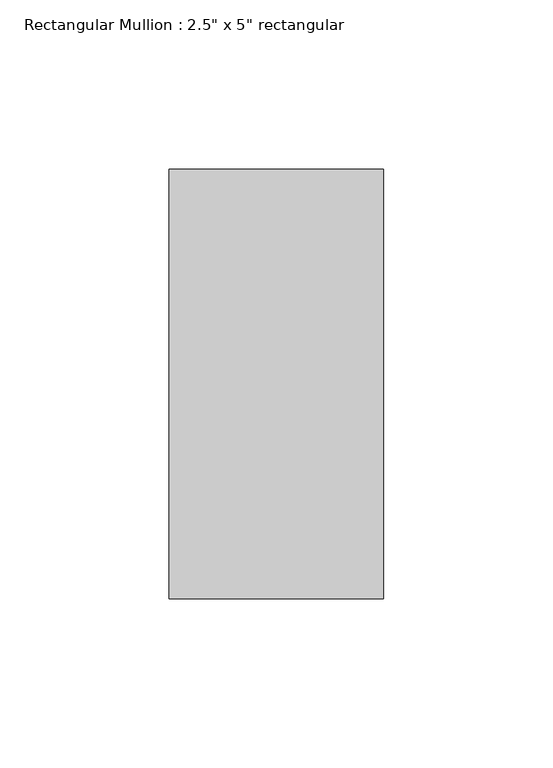
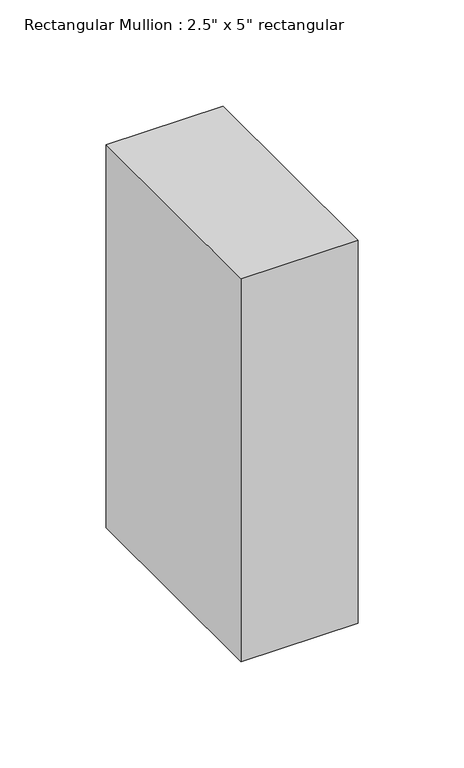
"""IFC4 building model written with IfcOpenShell, lengths in millimetres: member geometry."""

import ifcopenshell
import ifcopenshell.guid

model = None  # the IFC model being written
_history = None  # IfcOwnerHistory: only IFC2X3 demands one
_inside = {}  # id of a spatial element -> (the spatial element, [elements in it])
_under = {}  # id of a project, library or spatial element -> (it, [spatial elements below it])
_declared = {}  # id of a project -> (the project, [libraries it declares])
_typed = {}  # id of a type object -> (the type object, [elements of that type])
_made_of = {}  # id of a material, layer set ... -> (it, [elements and type objects made of it])


def new_model(schema):
    """Start an empty IFC model of exactly this schema.

    Asked for "IFC4X3", IfcOpenShell would pick the latest addendum, in which some entities
    have other attributes; the version numbers below select the first issue.
    IFC2X3 requires an IfcOwnerHistory on every rooted entity: one is made here for all.
    """
    global model, _history
    if schema == "IFC4X3":
        model = ifcopenshell.file(schema_version=(4, 3, 0, 0))
    else:
        model = ifcopenshell.file(schema=schema)
    _inside.clear()
    _under.clear()
    _declared.clear()
    _typed.clear()
    _made_of.clear()
    _history = None
    if model.schema == "IFC2X3":
        org = make("IfcOrganization", Name="unknown")
        user = make(
            "IfcPersonAndOrganization",
            ThePerson=make("IfcPerson", FamilyName="unknown"),
            TheOrganization=org,
        )
        app = make(
            "IfcApplication",
            ApplicationDeveloper=org,
            Version="unknown",
            ApplicationFullName="unknown",
            ApplicationIdentifier="unknown",
        )
        _history = make(
            "IfcOwnerHistory",
            OwningUser=user,
            OwningApplication=app,
            ChangeAction="ADDED",
            CreationDate=0,
        )
    return model


def make(cls, **values):
    """One entity of the class cls with the attributes given. An attribute that is None is left unset."""
    return model.create_entity(
        cls, **{name: value for name, value in values.items() if value is not None}
    )


def rooted(cls, **values):
    """An entity with a GlobalId (a new one), such as an element, a storey or a relation."""
    return make(cls, GlobalId=ifcopenshell.guid.new(), OwnerHistory=_history, **values)


def si_unit(unit_type, name, prefix=None):
    """IfcSIUnit, for example si_unit("LENGTHUNIT", "METRE", prefix="MILLI")."""
    return make("IfcSIUnit", UnitType=unit_type, Prefix=prefix, Name=name)


def assignment(units):
    """IfcUnitAssignment: the units of a project."""
    return None if units is None else make("IfcUnitAssignment", Units=units)


def point(xyz):
    """IfcCartesianPoint."""
    return None if xyz is None else make("IfcCartesianPoint", Coordinates=xyz)


def direction(xyz):
    """IfcDirection."""
    return None if xyz is None else make("IfcDirection", DirectionRatios=xyz)


def frame(location, z_axis=None, x_axis=None):
    """IfcAxis2Placement3D, a coordinate frame: its origin and axes. An axis left out is left unset."""
    return make(
        "IfcAxis2Placement3D",
        Location=point(location),
        Axis=direction(z_axis),
        RefDirection=direction(x_axis),
    )


def origin():
    """The frame at (0, 0, 0) with its axes left unset."""
    return frame((0.0, 0.0, 0.0))


def place(relative_to, where):
    """IfcLocalPlacement: puts the frame where relative to a parent placement (None: the world)."""
    return make(
        "IfcLocalPlacement", PlacementRelTo=relative_to, RelativePlacement=where
    )


def context(
    kind, dimensions, precision=None, world=None, true_north=None, identifier=None
):
    """IfcGeometricRepresentationContext, for example the 3D "Model" context."""
    return make(
        "IfcGeometricRepresentationContext",
        ContextIdentifier=identifier,
        ContextType=kind,
        CoordinateSpaceDimension=dimensions,
        Precision=precision,
        WorldCoordinateSystem=world,
        TrueNorth=true_north,
    )


def project(units=None, contexts=None):
    """IfcProject with its units and contexts."""
    return rooted(
        "IfcProject",
        Name="project",
        RepresentationContexts=contexts,
        UnitsInContext=assignment(units),
    )


def spatial(cls, under=None, at=None, **own):
    """A site, building, storey or space (cls), placed at a placement, below another one or the project."""
    s = rooted(cls, ObjectPlacement=at, **own)
    if under is not None:
        _under.setdefault(under.id(), (under, []))[1].append(s)
    return s


def polyline(points):
    """IfcPolyline through the points."""
    return make("IfcPolyline", Points=[point(p) for p in points])


def outline(outer, holes=None, kind="AREA"):
    """IfcArbitraryClosedProfileDef: a profile drawn as a closed curve; with holes, ...WithVoids."""
    if holes is None:
        return make("IfcArbitraryClosedProfileDef", ProfileType=kind, OuterCurve=outer)
    return make(
        "IfcArbitraryProfileDefWithVoids",
        ProfileType=kind,
        OuterCurve=outer,
        InnerCurves=holes,
    )


def extrude(swept, where, along, depth):
    """IfcExtrudedAreaSolid: the profile swept, set in the frame where, extruded along a direction by depth."""
    return make(
        "IfcExtrudedAreaSolid",
        SweptArea=swept,
        Position=where,
        ExtrudedDirection=direction(along),
        Depth=depth,
    )


def shape(context_of_items, identifier, shape_type, items):
    """IfcShapeRepresentation: the items that make up one representation, for example the "Body"."""
    return make(
        "IfcShapeRepresentation",
        ContextOfItems=context_of_items,
        RepresentationIdentifier=identifier,
        RepresentationType=shape_type,
        Items=items,
    )


def source(mapping_origin, context_of_items, identifier, shape_type, items):
    """IfcRepresentationMap: a shape defined once, which mapped items show again and again."""
    return make(
        "IfcRepresentationMap",
        MappingOrigin=mapping_origin,
        MappedRepresentation=shape(context_of_items, identifier, shape_type, items),
    )


def transform(
    local_origin,
    x_axis=None,
    y_axis=None,
    z_axis=None,
    scale=None,
    scale2=None,
    scale3=None,
    uniform=True,
):
    """IfcCartesianTransformationOperator3D, or its non-uniform kind. x_axis, y_axis, z_axis: its Axis1, 2, 3."""
    if uniform:
        return make(
            "IfcCartesianTransformationOperator3D",
            Axis1=direction(x_axis),
            Axis2=direction(y_axis),
            LocalOrigin=point(local_origin),
            Scale=scale,
            Axis3=direction(z_axis),
        )
    return make(
        "IfcCartesianTransformationOperator3DnonUniform",
        Axis1=direction(x_axis),
        Axis2=direction(y_axis),
        LocalOrigin=point(local_origin),
        Scale=scale,
        Axis3=direction(z_axis),
        Scale2=scale2,
        Scale3=scale3,
    )


def mapped(mapping_source, mapping_target):
    """IfcMappedItem: shows the shape of a source again, moved by a transform."""
    return make(
        "IfcMappedItem", MappingSource=mapping_source, MappingTarget=mapping_target
    )


def made_of(thing, what):
    """Note that an element or type object is made of a material, layer set ...; save() writes the relation."""
    if what is not None:
        _made_of.setdefault(what.id(), (what, []))[1].append(thing)
    return thing


def element(
    cls,
    number,
    at=None,
    inside=None,
    cuts=None,
    type_object=None,
    material=None,
    context=None,
    identifier="Body",
    shape_type=None,
    held_by="IfcProductDefinitionShape",
    body=None,
    shapes=None,
    **own,
):
    """One element of the class cls, such as IfcWall. Its Tag is "e" and its number.

    at: its placement. inside: the storey or other place that contains it. cuts: it is an
    opening in that element (IfcRelVoidsElement). A single representation is given by context,
    identifier, shape_type and body (its items); several are given by shapes. held_by: the class
    of the entity that holds the representations. save() writes the other relations.
    """
    e = rooted(cls, Tag="e%d" % number, ObjectPlacement=at, **own)
    if body is not None:
        shapes = [shape(context, identifier, shape_type, body)]
    if shapes is not None:
        e.Representation = make(held_by, Representations=shapes)
    if inside is not None:
        _inside.setdefault(inside.id(), (inside, []))[1].append(e)
    if cuts is not None:
        rooted(
            "IfcRelVoidsElement", RelatingBuildingElement=cuts, RelatedOpeningElement=e
        )
    if type_object is not None:
        _typed.setdefault(type_object.id(), (type_object, []))[1].append(e)
    return made_of(e, material)


def aggregate(whole, parts):
    """IfcRelAggregates: a whole, such as a stair, and the parts it consists of."""
    return rooted("IfcRelAggregates", RelatingObject=whole, RelatedObjects=parts)


def save(model, path):
    """Write the relations noted so far, then the file.

    IfcRelAggregates (storeys below a building ...), IfcRelContainedInSpatialStructure (elements
    in a storey), IfcRelDefinesByType, IfcRelAssociatesMaterial and IfcRelDeclares: one each for
    every whole, place, type object, material and project.
    """
    for whole, parts in _under.values():
        aggregate(whole, parts)
    for where, things in _inside.values():
        rooted(
            "IfcRelContainedInSpatialStructure",
            RelatedElements=things,
            RelatingStructure=where,
        )
    for kind, things in _typed.values():
        rooted("IfcRelDefinesByType", RelatedObjects=things, RelatingType=kind)
    for what, things in _made_of.values():
        rooted("IfcRelAssociatesMaterial", RelatedObjects=things, RelatingMaterial=what)
    for by, libraries in _declared.values():
        rooted("IfcRelDeclares", RelatingContext=by, RelatedDefinitions=libraries)
    model.write(path)


def member_12d8684f(model_context):
    return source(origin(), model_context, "Body", "SweptSolid", [
        extrude(outline(polyline([(0.0, 63.5), (0.0, -63.5), (-63.5, -63.5), (-63.5, 63.5), (0.0, 63.5)])), frame((0.0, 0.0, -219.9059901), z_axis=(0.0, 0.0, 1.0), x_axis=(1.0, 0.0, 0.0)), (0.0, 0.0, 1.0), 219.9059901),
    ])


if __name__ == "__main__":
    model = new_model("IFC4")
    model_context = context("Model", 3, world=origin())
    ifc_project = project(units=[si_unit("LENGTHUNIT", "METRE", prefix="MILLI")], contexts=[model_context])
    site = spatial("IfcSite", under=ifc_project)
    building = spatial("IfcBuilding", under=site)
    placement = place(None, origin())
    member_shape = member_12d8684f(model_context)
    element("IfcMember", 1, ObjectType="Rectangular Mullion : 2.5\" x 5\" rectangular", at=placement, inside=building, context=model_context, shape_type="MappedRepresentation", body=[
        mapped(member_shape, transform((0.0, 0.0, 0.0), x_axis=(1.0, 0.0, 0.0), y_axis=(0.0, 1.0, 0.0), z_axis=(0.0, 0.0, 1.0))),
    ])
    save(model, "model.ifc")
